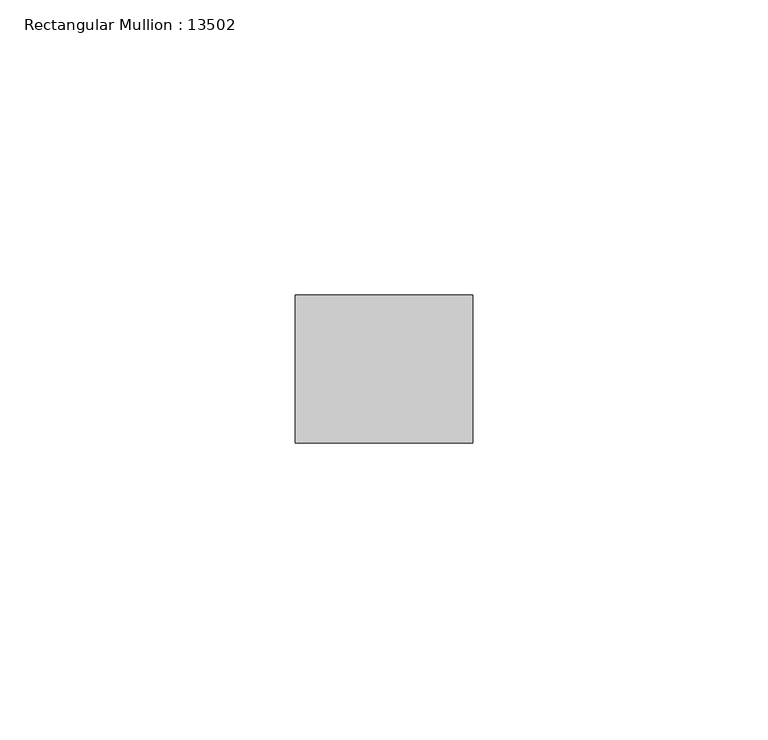
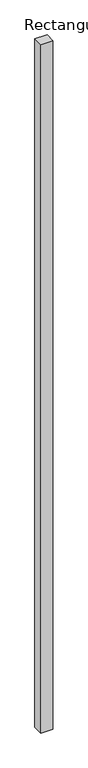
"""IFC4 building model written with IfcOpenShell, lengths in millimetres: member geometry, Rectangular Mullion : 13502."""

from ifc_helpers import new_model, si_unit, frame, origin, place, context, project, spatial, polyline, outline, extrude, source, transform, mapped, element, save


def rectangular_mullion_13502_18e41fbd(model_context):
    return source(origin(), model_context, "Body", "SweptSolid", [
        extrude(outline(polyline([(-29.9999993, -12.5), (-29.9999993, 12.5), (0.0, 12.5), (0.0, -12.5), (-29.9999993, -12.5)])), frame((0.0, 0.0, -1800.0), z_axis=(0.0, 0.0, 1.0), x_axis=(1.0, 0.0, 0.0)), (0.0, 0.0, 1.0), 1800.0),
    ])


if __name__ == "__main__":
    model = new_model("IFC4")
    model_context = context("Model", 3, world=origin())
    ifc_project = project(units=[si_unit("LENGTHUNIT", "METRE", prefix="MILLI")], contexts=[model_context])
    site = spatial("IfcSite", under=ifc_project)
    building = spatial("IfcBuilding", under=site)
    placement = place(None, origin())
    rectangular_mullion_13502_shape = rectangular_mullion_13502_18e41fbd(model_context)
    element("IfcMember", 1, ObjectType="Rectangular Mullion : 13502", at=placement, inside=building, context=model_context, shape_type="MappedRepresentation", body=[
        mapped(rectangular_mullion_13502_shape, transform((0.0, 0.0, 0.0), x_axis=(1.0, 0.0, 0.0), y_axis=(0.0, 1.0, 0.0), z_axis=(0.0, 0.0, 1.0))),
    ])
    save(model, "model.ifc")
